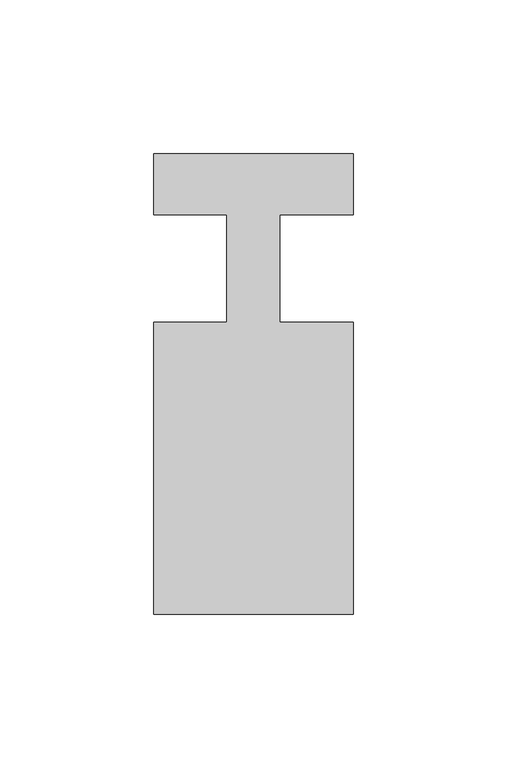
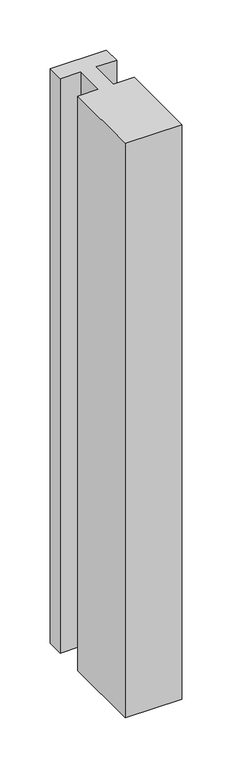
"""IFC4 building model written with IfcOpenShell, lengths in millimetres: member geometry."""

from ifc_helpers import new_model, si_unit, frame, origin, place, context, project, spatial, polyline, outline, extrude, source, transform, mapped, element, save


def member_3ceb67be(model_context):
    return source(origin(), model_context, "Body", "SweptSolid", [
        extrude(outline(polyline([(-65.0, 37.0), (0.0, 37.0), (0.0, 17.0), (-23.8125, 17.0), (-23.8125, -18.0), (0.0, -18.0), (0.0, -113.0), (-65.0, -113.0), (-65.0, -18.0), (-41.1875, -18.0), (-41.1875, 17.0), (-65.0, 17.0), (-65.0, 37.0)])), frame((0.0, 0.0, -700.0), z_axis=(0.0, 0.0, 1.0), x_axis=(1.0, 0.0, 0.0)), (0.0, 0.0, 1.0), 700.0),
    ])


if __name__ == "__main__":
    model = new_model("IFC4")
    model_context = context("Model", 3, world=origin())
    ifc_project = project(units=[si_unit("LENGTHUNIT", "METRE", prefix="MILLI")], contexts=[model_context])
    site = spatial("IfcSite", under=ifc_project)
    building = spatial("IfcBuilding", under=site)
    placement = place(None, origin())
    member_shape = member_3ceb67be(model_context)
    element("IfcMember", 1, at=placement, inside=building, context=model_context, shape_type="MappedRepresentation", body=[
        mapped(member_shape, transform((0.0, 0.0, 0.0), x_axis=(1.0, 0.0, 0.0), y_axis=(0.0, 1.0, 0.0), z_axis=(0.0, 0.0, 1.0))),
    ])
    save(model, "model.ifc")
